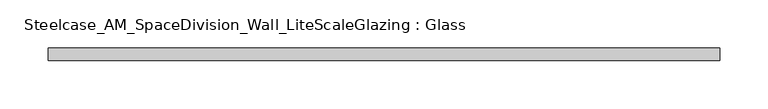
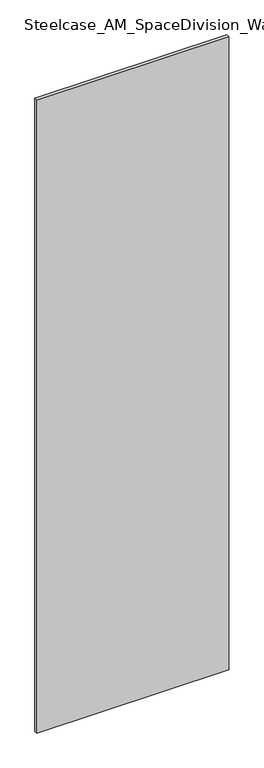
"""IFC4 building model written with IfcOpenShell, lengths in millimetres: plate geometry, Steelcase_AM_SpaceDivision_Wall_LiteScaleGlazing : Glass."""

import ifcopenshell
import ifcopenshell.guid

model = None  # the IFC model being written
_history = None  # IfcOwnerHistory: only IFC2X3 demands one
_inside = {}  # id of a spatial element -> (the spatial element, [elements in it])
_under = {}  # id of a project, library or spatial element -> (it, [spatial elements below it])
_declared = {}  # id of a project -> (the project, [libraries it declares])
_typed = {}  # id of a type object -> (the type object, [elements of that type])
_made_of = {}  # id of a material, layer set ... -> (it, [elements and type objects made of it])


def new_model(schema):
    """Start an empty IFC model of exactly this schema.

    Asked for "IFC4X3", IfcOpenShell would pick the latest addendum, in which some entities
    have other attributes; the version numbers below select the first issue.
    IFC2X3 requires an IfcOwnerHistory on every rooted entity: one is made here for all.
    """
    global model, _history
    if schema == "IFC4X3":
        model = ifcopenshell.file(schema_version=(4, 3, 0, 0))
    else:
        model = ifcopenshell.file(schema=schema)
    _inside.clear()
    _under.clear()
    _declared.clear()
    _typed.clear()
    _made_of.clear()
    _history = None
    if model.schema == "IFC2X3":
        org = make("IfcOrganization", Name="unknown")
        user = make(
            "IfcPersonAndOrganization",
            ThePerson=make("IfcPerson", FamilyName="unknown"),
            TheOrganization=org,
        )
        app = make(
            "IfcApplication",
            ApplicationDeveloper=org,
            Version="unknown",
            ApplicationFullName="unknown",
            ApplicationIdentifier="unknown",
        )
        _history = make(
            "IfcOwnerHistory",
            OwningUser=user,
            OwningApplication=app,
            ChangeAction="ADDED",
            CreationDate=0,
        )
    return model


def make(cls, **values):
    """One entity of the class cls with the attributes given. An attribute that is None is left unset."""
    return model.create_entity(
        cls, **{name: value for name, value in values.items() if value is not None}
    )


def rooted(cls, **values):
    """An entity with a GlobalId (a new one), such as an element, a storey or a relation."""
    return make(cls, GlobalId=ifcopenshell.guid.new(), OwnerHistory=_history, **values)


def si_unit(unit_type, name, prefix=None):
    """IfcSIUnit, for example si_unit("LENGTHUNIT", "METRE", prefix="MILLI")."""
    return make("IfcSIUnit", UnitType=unit_type, Prefix=prefix, Name=name)


def assignment(units):
    """IfcUnitAssignment: the units of a project."""
    return None if units is None else make("IfcUnitAssignment", Units=units)


def point(xyz):
    """IfcCartesianPoint."""
    return None if xyz is None else make("IfcCartesianPoint", Coordinates=xyz)


def direction(xyz):
    """IfcDirection."""
    return None if xyz is None else make("IfcDirection", DirectionRatios=xyz)


def frame(location, z_axis=None, x_axis=None):
    """IfcAxis2Placement3D, a coordinate frame: its origin and axes. An axis left out is left unset."""
    return make(
        "IfcAxis2Placement3D",
        Location=point(location),
        Axis=direction(z_axis),
        RefDirection=direction(x_axis),
    )


def origin():
    """The frame at (0, 0, 0) with its axes left unset."""
    return frame((0.0, 0.0, 0.0))


def origin_with_axes():
    """The frame at (0, 0, 0) with the z axis (0, 0, 1) and the x axis (1, 0, 0) written out."""
    return frame((0.0, 0.0, 0.0), z_axis=(0.0, 0.0, 1.0), x_axis=(1.0, 0.0, 0.0))


def place(relative_to, where):
    """IfcLocalPlacement: puts the frame where relative to a parent placement (None: the world)."""
    return make(
        "IfcLocalPlacement", PlacementRelTo=relative_to, RelativePlacement=where
    )


def context(
    kind, dimensions, precision=None, world=None, true_north=None, identifier=None
):
    """IfcGeometricRepresentationContext, for example the 3D "Model" context."""
    return make(
        "IfcGeometricRepresentationContext",
        ContextIdentifier=identifier,
        ContextType=kind,
        CoordinateSpaceDimension=dimensions,
        Precision=precision,
        WorldCoordinateSystem=world,
        TrueNorth=true_north,
    )


def project(units=None, contexts=None):
    """IfcProject with its units and contexts."""
    return rooted(
        "IfcProject",
        Name="project",
        RepresentationContexts=contexts,
        UnitsInContext=assignment(units),
    )


def spatial(cls, under=None, at=None, **own):
    """A site, building, storey or space (cls), placed at a placement, below another one or the project."""
    s = rooted(cls, ObjectPlacement=at, **own)
    if under is not None:
        _under.setdefault(under.id(), (under, []))[1].append(s)
    return s


def polyline(points):
    """IfcPolyline through the points."""
    return make("IfcPolyline", Points=[point(p) for p in points])


def outline(outer, holes=None, kind="AREA"):
    """IfcArbitraryClosedProfileDef: a profile drawn as a closed curve; with holes, ...WithVoids."""
    if holes is None:
        return make("IfcArbitraryClosedProfileDef", ProfileType=kind, OuterCurve=outer)
    return make(
        "IfcArbitraryProfileDefWithVoids",
        ProfileType=kind,
        OuterCurve=outer,
        InnerCurves=holes,
    )


def extrude(swept, where, along, depth):
    """IfcExtrudedAreaSolid: the profile swept, set in the frame where, extruded along a direction by depth."""
    return make(
        "IfcExtrudedAreaSolid",
        SweptArea=swept,
        Position=where,
        ExtrudedDirection=direction(along),
        Depth=depth,
    )


def shape(context_of_items, identifier, shape_type, items):
    """IfcShapeRepresentation: the items that make up one representation, for example the "Body"."""
    return make(
        "IfcShapeRepresentation",
        ContextOfItems=context_of_items,
        RepresentationIdentifier=identifier,
        RepresentationType=shape_type,
        Items=items,
    )


def source(mapping_origin, context_of_items, identifier, shape_type, items):
    """IfcRepresentationMap: a shape defined once, which mapped items show again and again."""
    return make(
        "IfcRepresentationMap",
        MappingOrigin=mapping_origin,
        MappedRepresentation=shape(context_of_items, identifier, shape_type, items),
    )


def transform(
    local_origin,
    x_axis=None,
    y_axis=None,
    z_axis=None,
    scale=None,
    scale2=None,
    scale3=None,
    uniform=True,
):
    """IfcCartesianTransformationOperator3D, or its non-uniform kind. x_axis, y_axis, z_axis: its Axis1, 2, 3."""
    if uniform:
        return make(
            "IfcCartesianTransformationOperator3D",
            Axis1=direction(x_axis),
            Axis2=direction(y_axis),
            LocalOrigin=point(local_origin),
            Scale=scale,
            Axis3=direction(z_axis),
        )
    return make(
        "IfcCartesianTransformationOperator3DnonUniform",
        Axis1=direction(x_axis),
        Axis2=direction(y_axis),
        LocalOrigin=point(local_origin),
        Scale=scale,
        Axis3=direction(z_axis),
        Scale2=scale2,
        Scale3=scale3,
    )


def mapped(mapping_source, mapping_target):
    """IfcMappedItem: shows the shape of a source again, moved by a transform."""
    return make(
        "IfcMappedItem", MappingSource=mapping_source, MappingTarget=mapping_target
    )


def made_of(thing, what):
    """Note that an element or type object is made of a material, layer set ...; save() writes the relation."""
    if what is not None:
        _made_of.setdefault(what.id(), (what, []))[1].append(thing)
    return thing


def element(
    cls,
    number,
    at=None,
    inside=None,
    cuts=None,
    type_object=None,
    material=None,
    context=None,
    identifier="Body",
    shape_type=None,
    held_by="IfcProductDefinitionShape",
    body=None,
    shapes=None,
    **own,
):
    """One element of the class cls, such as IfcWall. Its Tag is "e" and its number.

    at: its placement. inside: the storey or other place that contains it. cuts: it is an
    opening in that element (IfcRelVoidsElement). A single representation is given by context,
    identifier, shape_type and body (its items); several are given by shapes. held_by: the class
    of the entity that holds the representations. save() writes the other relations.
    """
    e = rooted(cls, Tag="e%d" % number, ObjectPlacement=at, **own)
    if body is not None:
        shapes = [shape(context, identifier, shape_type, body)]
    if shapes is not None:
        e.Representation = make(held_by, Representations=shapes)
    if inside is not None:
        _inside.setdefault(inside.id(), (inside, []))[1].append(e)
    if cuts is not None:
        rooted(
            "IfcRelVoidsElement", RelatingBuildingElement=cuts, RelatedOpeningElement=e
        )
    if type_object is not None:
        _typed.setdefault(type_object.id(), (type_object, []))[1].append(e)
    return made_of(e, material)


def aggregate(whole, parts):
    """IfcRelAggregates: a whole, such as a stair, and the parts it consists of."""
    return rooted("IfcRelAggregates", RelatingObject=whole, RelatedObjects=parts)


def save(model, path):
    """Write the relations noted so far, then the file.

    IfcRelAggregates (storeys below a building ...), IfcRelContainedInSpatialStructure (elements
    in a storey), IfcRelDefinesByType, IfcRelAssociatesMaterial and IfcRelDeclares: one each for
    every whole, place, type object, material and project.
    """
    for whole, parts in _under.values():
        aggregate(whole, parts)
    for where, things in _inside.values():
        rooted(
            "IfcRelContainedInSpatialStructure",
            RelatedElements=things,
            RelatingStructure=where,
        )
    for kind, things in _typed.values():
        rooted("IfcRelDefinesByType", RelatedObjects=things, RelatingType=kind)
    for what, things in _made_of.values():
        rooted("IfcRelAssociatesMaterial", RelatedObjects=things, RelatingMaterial=what)
    for by, libraries in _declared.values():
        rooted("IfcRelDeclares", RelatingContext=by, RelatedDefinitions=libraries)
    model.write(path)


def steelcase_am_spacedivision_wall_litescaleglazing_glass_1a5e3382(model_context):
    return source(origin(), model_context, "Body", "SweptSolid", [
        extrude(outline(polyline([(-347.5968271, -6.349956), (-347.5968271, 6.3502015), (347.5968271, 6.3502015), (347.5968271, -6.349956), (-347.5968271, -6.349956)])), origin_with_axes(), (0.0, 0.0, 1.0), 2424.684),
    ])


if __name__ == "__main__":
    model = new_model("IFC4")
    model_context = context("Model", 3, world=origin())
    ifc_project = project(units=[si_unit("LENGTHUNIT", "METRE", prefix="MILLI")], contexts=[model_context])
    site = spatial("IfcSite", under=ifc_project)
    building = spatial("IfcBuilding", under=site)
    placement = place(None, origin())
    steelcase_am_spacedivision_wall_litescaleglazing_glass_shape = steelcase_am_spacedivision_wall_litescaleglazing_glass_1a5e3382(model_context)
    element("IfcPlate", 1, ObjectType="Steelcase_AM_SpaceDivision_Wall_LiteScaleGlazing : Glass", at=placement, inside=building, context=model_context, shape_type="MappedRepresentation", body=[
        mapped(steelcase_am_spacedivision_wall_litescaleglazing_glass_shape, transform((0.0, 0.0, 0.0), x_axis=(1.0, 0.0, 0.0), y_axis=(0.0, 1.0, 0.0), z_axis=(0.0, 0.0, 1.0))),
    ])
    save(model, "model.ifc")
